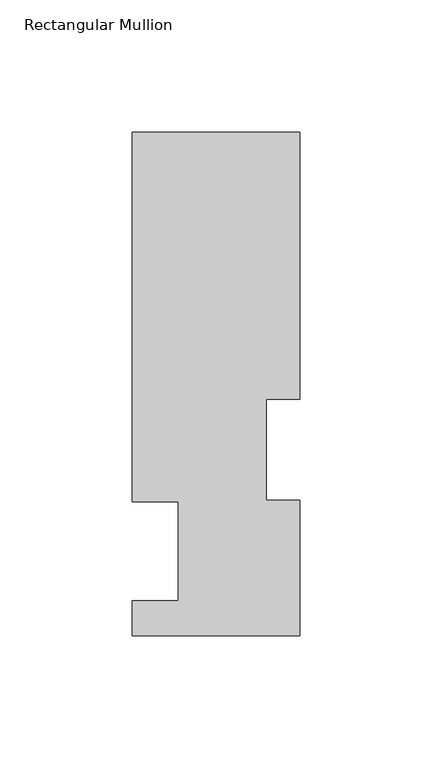
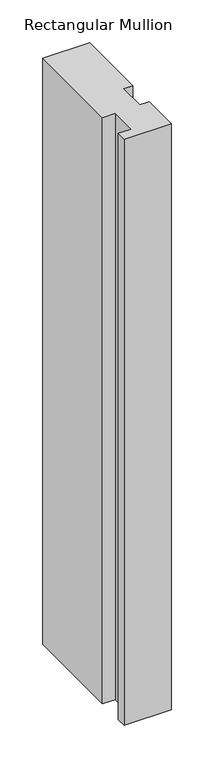
"""IFC4 building model written with IfcOpenShell, lengths in millimetres: member geometry, Rectangular Mullion."""

import ifcopenshell
import ifcopenshell.guid

model = None  # the IFC model being written
_history = None  # IfcOwnerHistory: only IFC2X3 demands one
_inside = {}  # id of a spatial element -> (the spatial element, [elements in it])
_under = {}  # id of a project, library or spatial element -> (it, [spatial elements below it])
_declared = {}  # id of a project -> (the project, [libraries it declares])
_typed = {}  # id of a type object -> (the type object, [elements of that type])
_made_of = {}  # id of a material, layer set ... -> (it, [elements and type objects made of it])


def new_model(schema):
    """Start an empty IFC model of exactly this schema.

    Asked for "IFC4X3", IfcOpenShell would pick the latest addendum, in which some entities
    have other attributes; the version numbers below select the first issue.
    IFC2X3 requires an IfcOwnerHistory on every rooted entity: one is made here for all.
    """
    global model, _history
    if schema == "IFC4X3":
        model = ifcopenshell.file(schema_version=(4, 3, 0, 0))
    else:
        model = ifcopenshell.file(schema=schema)
    _inside.clear()
    _under.clear()
    _declared.clear()
    _typed.clear()
    _made_of.clear()
    _history = None
    if model.schema == "IFC2X3":
        org = make("IfcOrganization", Name="unknown")
        user = make(
            "IfcPersonAndOrganization",
            ThePerson=make("IfcPerson", FamilyName="unknown"),
            TheOrganization=org,
        )
        app = make(
            "IfcApplication",
            ApplicationDeveloper=org,
            Version="unknown",
            ApplicationFullName="unknown",
            ApplicationIdentifier="unknown",
        )
        _history = make(
            "IfcOwnerHistory",
            OwningUser=user,
            OwningApplication=app,
            ChangeAction="ADDED",
            CreationDate=0,
        )
    return model


def make(cls, **values):
    """One entity of the class cls with the attributes given. An attribute that is None is left unset."""
    return model.create_entity(
        cls, **{name: value for name, value in values.items() if value is not None}
    )


def rooted(cls, **values):
    """An entity with a GlobalId (a new one), such as an element, a storey or a relation."""
    return make(cls, GlobalId=ifcopenshell.guid.new(), OwnerHistory=_history, **values)


def si_unit(unit_type, name, prefix=None):
    """IfcSIUnit, for example si_unit("LENGTHUNIT", "METRE", prefix="MILLI")."""
    return make("IfcSIUnit", UnitType=unit_type, Prefix=prefix, Name=name)


def assignment(units):
    """IfcUnitAssignment: the units of a project."""
    return None if units is None else make("IfcUnitAssignment", Units=units)


def point(xyz):
    """IfcCartesianPoint."""
    return None if xyz is None else make("IfcCartesianPoint", Coordinates=xyz)


def direction(xyz):
    """IfcDirection."""
    return None if xyz is None else make("IfcDirection", DirectionRatios=xyz)


def frame(location, z_axis=None, x_axis=None):
    """IfcAxis2Placement3D, a coordinate frame: its origin and axes. An axis left out is left unset."""
    return make(
        "IfcAxis2Placement3D",
        Location=point(location),
        Axis=direction(z_axis),
        RefDirection=direction(x_axis),
    )


def origin():
    """The frame at (0, 0, 0) with its axes left unset."""
    return frame((0.0, 0.0, 0.0))


def place(relative_to, where):
    """IfcLocalPlacement: puts the frame where relative to a parent placement (None: the world)."""
    return make(
        "IfcLocalPlacement", PlacementRelTo=relative_to, RelativePlacement=where
    )


def context(
    kind, dimensions, precision=None, world=None, true_north=None, identifier=None
):
    """IfcGeometricRepresentationContext, for example the 3D "Model" context."""
    return make(
        "IfcGeometricRepresentationContext",
        ContextIdentifier=identifier,
        ContextType=kind,
        CoordinateSpaceDimension=dimensions,
        Precision=precision,
        WorldCoordinateSystem=world,
        TrueNorth=true_north,
    )


def project(units=None, contexts=None):
    """IfcProject with its units and contexts."""
    return rooted(
        "IfcProject",
        Name="project",
        RepresentationContexts=contexts,
        UnitsInContext=assignment(units),
    )


def spatial(cls, under=None, at=None, **own):
    """A site, building, storey or space (cls), placed at a placement, below another one or the project."""
    s = rooted(cls, ObjectPlacement=at, **own)
    if under is not None:
        _under.setdefault(under.id(), (under, []))[1].append(s)
    return s


def polyline(points):
    """IfcPolyline through the points."""
    return make("IfcPolyline", Points=[point(p) for p in points])


def outline(outer, holes=None, kind="AREA"):
    """IfcArbitraryClosedProfileDef: a profile drawn as a closed curve; with holes, ...WithVoids."""
    if holes is None:
        return make("IfcArbitraryClosedProfileDef", ProfileType=kind, OuterCurve=outer)
    return make(
        "IfcArbitraryProfileDefWithVoids",
        ProfileType=kind,
        OuterCurve=outer,
        InnerCurves=holes,
    )


def extrude(swept, where, along, depth):
    """IfcExtrudedAreaSolid: the profile swept, set in the frame where, extruded along a direction by depth."""
    return make(
        "IfcExtrudedAreaSolid",
        SweptArea=swept,
        Position=where,
        ExtrudedDirection=direction(along),
        Depth=depth,
    )


def shape(context_of_items, identifier, shape_type, items):
    """IfcShapeRepresentation: the items that make up one representation, for example the "Body"."""
    return make(
        "IfcShapeRepresentation",
        ContextOfItems=context_of_items,
        RepresentationIdentifier=identifier,
        RepresentationType=shape_type,
        Items=items,
    )


def source(mapping_origin, context_of_items, identifier, shape_type, items):
    """IfcRepresentationMap: a shape defined once, which mapped items show again and again."""
    return make(
        "IfcRepresentationMap",
        MappingOrigin=mapping_origin,
        MappedRepresentation=shape(context_of_items, identifier, shape_type, items),
    )


def transform(
    local_origin,
    x_axis=None,
    y_axis=None,
    z_axis=None,
    scale=None,
    scale2=None,
    scale3=None,
    uniform=True,
):
    """IfcCartesianTransformationOperator3D, or its non-uniform kind. x_axis, y_axis, z_axis: its Axis1, 2, 3."""
    if uniform:
        return make(
            "IfcCartesianTransformationOperator3D",
            Axis1=direction(x_axis),
            Axis2=direction(y_axis),
            LocalOrigin=point(local_origin),
            Scale=scale,
            Axis3=direction(z_axis),
        )
    return make(
        "IfcCartesianTransformationOperator3DnonUniform",
        Axis1=direction(x_axis),
        Axis2=direction(y_axis),
        LocalOrigin=point(local_origin),
        Scale=scale,
        Axis3=direction(z_axis),
        Scale2=scale2,
        Scale3=scale3,
    )


def mapped(mapping_source, mapping_target):
    """IfcMappedItem: shows the shape of a source again, moved by a transform."""
    return make(
        "IfcMappedItem", MappingSource=mapping_source, MappingTarget=mapping_target
    )


def made_of(thing, what):
    """Note that an element or type object is made of a material, layer set ...; save() writes the relation."""
    if what is not None:
        _made_of.setdefault(what.id(), (what, []))[1].append(thing)
    return thing


def element(
    cls,
    number,
    at=None,
    inside=None,
    cuts=None,
    type_object=None,
    material=None,
    context=None,
    identifier="Body",
    shape_type=None,
    held_by="IfcProductDefinitionShape",
    body=None,
    shapes=None,
    **own,
):
    """One element of the class cls, such as IfcWall. Its Tag is "e" and its number.

    at: its placement. inside: the storey or other place that contains it. cuts: it is an
    opening in that element (IfcRelVoidsElement). A single representation is given by context,
    identifier, shape_type and body (its items); several are given by shapes. held_by: the class
    of the entity that holds the representations. save() writes the other relations.
    """
    e = rooted(cls, Tag="e%d" % number, ObjectPlacement=at, **own)
    if body is not None:
        shapes = [shape(context, identifier, shape_type, body)]
    if shapes is not None:
        e.Representation = make(held_by, Representations=shapes)
    if inside is not None:
        _inside.setdefault(inside.id(), (inside, []))[1].append(e)
    if cuts is not None:
        rooted(
            "IfcRelVoidsElement", RelatingBuildingElement=cuts, RelatedOpeningElement=e
        )
    if type_object is not None:
        _typed.setdefault(type_object.id(), (type_object, []))[1].append(e)
    return made_of(e, material)


def aggregate(whole, parts):
    """IfcRelAggregates: a whole, such as a stair, and the parts it consists of."""
    return rooted("IfcRelAggregates", RelatingObject=whole, RelatedObjects=parts)


def save(model, path):
    """Write the relations noted so far, then the file.

    IfcRelAggregates (storeys below a building ...), IfcRelContainedInSpatialStructure (elements
    in a storey), IfcRelDefinesByType, IfcRelAssociatesMaterial and IfcRelDeclares: one each for
    every whole, place, type object, material and project.
    """
    for whole, parts in _under.values():
        aggregate(whole, parts)
    for where, things in _inside.values():
        rooted(
            "IfcRelContainedInSpatialStructure",
            RelatedElements=things,
            RelatingStructure=where,
        )
    for kind, things in _typed.values():
        rooted("IfcRelDefinesByType", RelatedObjects=things, RelatingType=kind)
    for what, things in _made_of.values():
        rooted("IfcRelAssociatesMaterial", RelatedObjects=things, RelatingMaterial=what)
    for by, libraries in _declared.values():
        rooted("IfcRelDeclares", RelatingContext=by, RelatedDefinitions=libraries)
    model.write(path)


def rectangular_mullion_03d7d7c8(model_context):
    return source(origin(), model_context, "Body", "SweptSolid", [
        extrude(outline(polyline([(31.75, 190.7881313), (31.75, 89.5945313), (19.05, 89.5945313), (19.05, 51.4945315), (31.7595098, 51.4945315), (31.7595098, 0.2119312), (-31.7500004, 0.2119312), (-31.7500004, 13.3945312), (-14.2748004, 13.3945312), (-14.2748004, 50.8087294), (-31.7500004, 50.8087294), (-31.7500004, 190.7881313), (31.75, 190.7881313)])), frame((0.0, 0.0, -838.2), z_axis=(0.0, 0.0, 1.0), x_axis=(1.0, 0.0, 0.0)), (0.0, 0.0, 1.0), 838.2),
    ])


if __name__ == "__main__":
    model = new_model("IFC4")
    model_context = context("Model", 3, world=origin())
    ifc_project = project(units=[si_unit("LENGTHUNIT", "METRE", prefix="MILLI")], contexts=[model_context])
    site = spatial("IfcSite", under=ifc_project)
    building = spatial("IfcBuilding", under=site)
    placement = place(None, origin())
    rectangular_mullion_shape = rectangular_mullion_03d7d7c8(model_context)
    element("IfcMember", 1, ObjectType="Rectangular Mullion", at=placement, inside=building, context=model_context, shape_type="MappedRepresentation", body=[
        mapped(rectangular_mullion_shape, transform((0.0, 0.0, 0.0), x_axis=(1.0, 0.0, 0.0), y_axis=(0.0, 1.0, 0.0), z_axis=(0.0, 0.0, 1.0))),
    ])
    save(model, "model.ifc")
